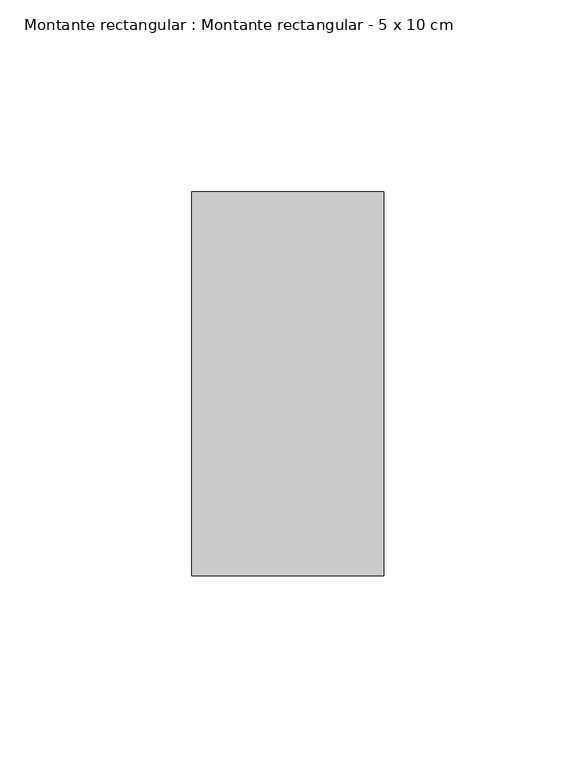
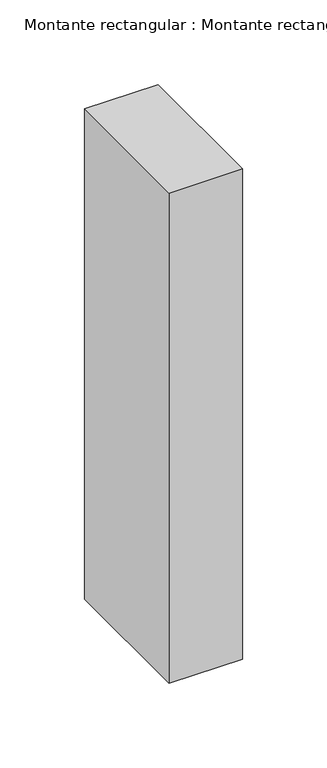
"""IFC4 building model written with IfcOpenShell, lengths in millimetres: member geometry, Montante rectangular : Montante rectangular - 5 x 10 cm."""

from ifc_helpers import new_model, si_unit, frame, origin, place, context, project, spatial, polyline, outline, extrude, source, transform, mapped, element, save


def montante_rectangular_montante_rectangular_5_x_10_cm_c67dd486(model_context):
    return source(origin(), model_context, "Body", "SweptSolid", [
        extrude(outline(polyline([(0.0, 50.0), (0.0, -50.0), (-50.0, -50.0), (-50.0, 50.0), (0.0, 50.0)])), frame((0.0, 0.0, -353.3333333), z_axis=(0.0, 0.0, 1.0), x_axis=(1.0, 0.0, 0.0)), (0.0, 0.0, 1.0), 353.3333333),
    ])


if __name__ == "__main__":
    model = new_model("IFC4")
    model_context = context("Model", 3, world=origin())
    ifc_project = project(units=[si_unit("LENGTHUNIT", "METRE", prefix="MILLI")], contexts=[model_context])
    site = spatial("IfcSite", under=ifc_project)
    building = spatial("IfcBuilding", under=site)
    placement = place(None, origin())
    montante_rectangular_montante_rectangular_5_x_10_cm_shape = montante_rectangular_montante_rectangular_5_x_10_cm_c67dd486(model_context)
    element("IfcMember", 1, ObjectType="Montante rectangular : Montante rectangular - 5 x 10 cm", at=placement, inside=building, context=model_context, shape_type="MappedRepresentation", body=[
        mapped(montante_rectangular_montante_rectangular_5_x_10_cm_shape, transform((0.0, 0.0, 0.0), x_axis=(1.0, 0.0, 0.0), y_axis=(0.0, 1.0, 0.0), z_axis=(0.0, 0.0, 1.0))),
    ])
    save(model, "model.ifc")
